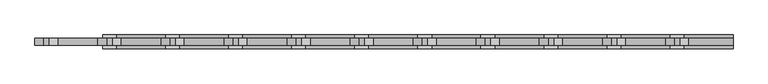
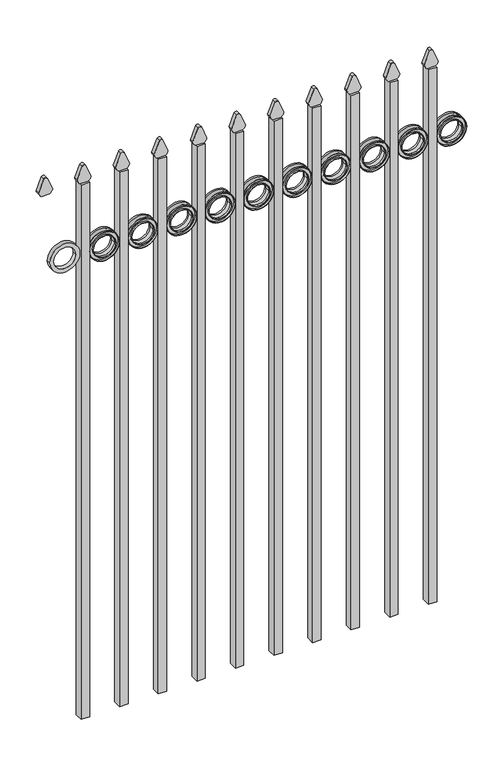
"""IFC4 building model written with IfcOpenShell, lengths in millimetres: railing geometry."""

from ifc_helpers import new_model, si_unit, point, frame, frame_2d, origin, place, context, project, spatial, polyline, circle_curve, trimmed, segment, composite_curve, outline, extrude, source, transform, mapped, element, save


def railing_4a99fd9a(model_context):
    return source(origin(), model_context, "Body", "SweptSolid", [
        extrude(outline(composite_curve([segment(polyline([(1769.4798417, -22591.9399936), (1769.4798417, -22566.2493116)]), True, "CONTINUOUS"), segment(trimmed(circle_curve(frame_2d((1787.7299402, -22580.4122336)), 23.1009622), [point((1769.4798417, -22566.2493116))], [point((1782.2676176, -22557.9663545))], False, "CARTESIAN"), True, "CONTINUOUS"), segment(polyline([(1782.2676176, -22557.9663545), (1822.7555225, -22574.2855644)]), True, "CONTINUOUS"), segment(trimmed(circle_curve(frame_2d((1819.6045804, -22579.4155764)), 6.0204202), [point((1822.7555225, -22574.2855644))], [point((1822.7555225, -22584.5455884))], False, "CARTESIAN"), True, "CONTINUOUS"), segment(polyline([(1822.7555225, -22584.5455884), (1783.5339948, -22600.4937724)]), True, "CONTINUOUS"), segment(trimmed(circle_curve(frame_2d((1787.7299402, -22577.7770716)), 23.1009622), [point((1783.5339948, -22600.4937724))], [point((1769.4798417, -22591.9399936))], False, "CARTESIAN"), True, "CONTINUOUS")], self_intersect=False)), frame((0.0, 10362.569541, 0.0), z_axis=(0.0, 1.0, 0.0), x_axis=(0.0, 0.0, 1.0)), (0.0, 0.0, 1.0), 12.7),
        extrude(outline(composite_curve([segment(trimmed(circle_curve(frame_2d((1546.9853669, -22520.4442595)), 45.6988591), [point((1546.9853669, -22474.7454004))], [point((1546.9853669, -22566.1431186))], False, "CARTESIAN"), True, "CONTINUOUS"), segment(trimmed(circle_curve(frame_2d((1546.9853669, -22520.4442595)), 45.6988591), [point((1546.9853669, -22566.1431186))], [point((1546.9853669, -22474.7454004))], False, "CARTESIAN"), True, "CONTINUOUS")], self_intersect=False), holes=[composite_curve([segment(trimmed(circle_curve(frame_2d((1546.9853669, -22520.4442595)), 33.0443887), [point((1546.9853669, -22487.3998708))], [point((1546.9853669, -22553.4886482))], True, "CARTESIAN"), True, "CONTINUOUS"), segment(trimmed(circle_curve(frame_2d((1546.9853669, -22520.4442595)), 33.0443887), [point((1546.9853669, -22553.4886482))], [point((1546.9853669, -22487.3998708))], True, "CARTESIAN"), True, "CONTINUOUS")], self_intersect=False)]), frame((0.0, 10362.569541, 0.0), z_axis=(0.0, 1.0, 0.0), x_axis=(0.0, 0.0, 1.0)), (0.0, 0.0, 1.0), 12.7),
        extrude(outline(polyline([(-22591.9399936, 10381.619541), (-22566.5399936, 10381.619541), (-22566.5399936, 10356.219541), (-22591.9399936, 10356.219541), (-22591.9399936, 10381.619541)])), frame((0.0, 0.0, 50.8), z_axis=(0.0, 0.0, 1.0), x_axis=(1.0, 0.0, 0.0)), (0.0, 0.0, 1.0), 1718.4579232),
        extrude(outline(composite_curve([segment(trimmed(circle_curve(frame_2d((1546.9853669, -22520.4442595)), 45.6988591), [point((1546.9853669, -22474.7454004))], [point((1546.9853669, -22566.1431186))], False, "CARTESIAN"), True, "CONTINUOUS"), segment(trimmed(circle_curve(frame_2d((1546.9853669, -22520.4442595)), 45.6988591), [point((1546.9853669, -22566.1431186))], [point((1546.9853669, -22474.7454004))], False, "CARTESIAN"), True, "CONTINUOUS")], self_intersect=False), holes=[composite_curve([segment(trimmed(circle_curve(frame_2d((1546.9853669, -22520.4442595)), 44.101539), [point((1546.9853669, -22476.3427205))], [point((1546.9853669, -22564.5457985))], True, "CARTESIAN"), True, "CONTINUOUS"), segment(trimmed(circle_curve(frame_2d((1546.9853669, -22520.4442595)), 44.101539), [point((1546.9853669, -22564.5457985))], [point((1546.9853669, -22476.3427205))], True, "CARTESIAN"), True, "CONTINUOUS")], self_intersect=False)]), frame((0.0, 10356.219541, 0.0), z_axis=(0.0, 1.0, 0.0), x_axis=(0.0, 0.0, 1.0)), (0.0, 0.0, 1.0), 25.4),
        extrude(outline(composite_curve([segment(trimmed(circle_curve(frame_2d((1546.9853669, -22520.4442595)), 34.6370762), [point((1546.9853669, -22485.8071833))], [point((1546.9853669, -22555.0813357))], False, "CARTESIAN"), True, "CONTINUOUS"), segment(trimmed(circle_curve(frame_2d((1546.9853669, -22520.4442595)), 34.6370762), [point((1546.9853669, -22555.0813357))], [point((1546.9853669, -22485.8071833))], False, "CARTESIAN"), True, "CONTINUOUS")], self_intersect=False), holes=[composite_curve([segment(trimmed(circle_curve(frame_2d((1546.9853669, -22520.4442595)), 33.0443887), [point((1546.9853669, -22487.3998708))], [point((1546.9853669, -22553.4886482))], True, "CARTESIAN"), True, "CONTINUOUS"), segment(trimmed(circle_curve(frame_2d((1546.9853669, -22520.4442595)), 33.0443887), [point((1546.9853669, -22553.4886482))], [point((1546.9853669, -22487.3998708))], True, "CARTESIAN"), True, "CONTINUOUS")], self_intersect=False)]), frame((0.0, 10356.219541, 0.0), z_axis=(0.0, 1.0, 0.0), x_axis=(0.0, 0.0, 1.0)), (0.0, 0.0, 1.0), 25.4),
        extrude(outline(composite_curve([segment(polyline([(1769.4798417, -22709.4149936), (1769.4798417, -22683.7243116)]), True, "CONTINUOUS"), segment(trimmed(circle_curve(frame_2d((1787.7299402, -22697.8872336)), 23.1009622), [point((1769.4798417, -22683.7243116))], [point((1782.2676176, -22675.4413545))], False, "CARTESIAN"), True, "CONTINUOUS"), segment(polyline([(1782.2676176, -22675.4413545), (1822.7555225, -22691.7605644)]), True, "CONTINUOUS"), segment(trimmed(circle_curve(frame_2d((1819.6045804, -22696.8905764)), 6.0204202), [point((1822.7555225, -22691.7605644))], [point((1822.7555225, -22702.0205884))], False, "CARTESIAN"), True, "CONTINUOUS"), segment(polyline([(1822.7555225, -22702.0205884), (1783.5339948, -22717.9687724)]), True, "CONTINUOUS"), segment(trimmed(circle_curve(frame_2d((1787.7299402, -22695.2520716)), 23.1009622), [point((1783.5339948, -22717.9687724))], [point((1769.4798417, -22709.4149936))], False, "CARTESIAN"), True, "CONTINUOUS")], self_intersect=False)), frame((0.0, 10362.569541, 0.0), z_axis=(0.0, 1.0, 0.0), x_axis=(0.0, 0.0, 1.0)), (0.0, 0.0, 1.0), 12.7),
        extrude(outline(composite_curve([segment(trimmed(circle_curve(frame_2d((1546.9853669, -22637.9192595)), 45.6988591), [point((1546.9853669, -22592.2204004))], [point((1546.9853669, -22683.6181186))], False, "CARTESIAN"), True, "CONTINUOUS"), segment(trimmed(circle_curve(frame_2d((1546.9853669, -22637.9192595)), 45.6988591), [point((1546.9853669, -22683.6181186))], [point((1546.9853669, -22592.2204004))], False, "CARTESIAN"), True, "CONTINUOUS")], self_intersect=False), holes=[composite_curve([segment(trimmed(circle_curve(frame_2d((1546.9853669, -22637.9192595)), 33.0443887), [point((1546.9853669, -22604.8748708))], [point((1546.9853669, -22670.9636482))], True, "CARTESIAN"), True, "CONTINUOUS"), segment(trimmed(circle_curve(frame_2d((1546.9853669, -22637.9192595)), 33.0443887), [point((1546.9853669, -22670.9636482))], [point((1546.9853669, -22604.8748708))], True, "CARTESIAN"), True, "CONTINUOUS")], self_intersect=False)]), frame((0.0, 10362.569541, 0.0), z_axis=(0.0, 1.0, 0.0), x_axis=(0.0, 0.0, 1.0)), (0.0, 0.0, 1.0), 12.7),
        extrude(outline(polyline([(-22709.4149936, 10381.619541), (-22684.0149936, 10381.619541), (-22684.0149936, 10356.219541), (-22709.4149936, 10356.219541), (-22709.4149936, 10381.619541)])), frame((0.0, 0.0, 50.8), z_axis=(0.0, 0.0, 1.0), x_axis=(1.0, 0.0, 0.0)), (0.0, 0.0, 1.0), 1718.4579232),
        extrude(outline(composite_curve([segment(trimmed(circle_curve(frame_2d((1546.9853669, -22637.9192595)), 45.6988591), [point((1546.9853669, -22592.2204004))], [point((1546.9853669, -22683.6181186))], False, "CARTESIAN"), True, "CONTINUOUS"), segment(trimmed(circle_curve(frame_2d((1546.9853669, -22637.9192595)), 45.6988591), [point((1546.9853669, -22683.6181186))], [point((1546.9853669, -22592.2204004))], False, "CARTESIAN"), True, "CONTINUOUS")], self_intersect=False), holes=[composite_curve([segment(trimmed(circle_curve(frame_2d((1546.9853669, -22637.9192595)), 44.101539), [point((1546.9853669, -22593.8177205))], [point((1546.9853669, -22682.0207985))], True, "CARTESIAN"), True, "CONTINUOUS"), segment(trimmed(circle_curve(frame_2d((1546.9853669, -22637.9192595)), 44.101539), [point((1546.9853669, -22682.0207985))], [point((1546.9853669, -22593.8177205))], True, "CARTESIAN"), True, "CONTINUOUS")], self_intersect=False)]), frame((0.0, 10356.219541, 0.0), z_axis=(0.0, 1.0, 0.0), x_axis=(0.0, 0.0, 1.0)), (0.0, 0.0, 1.0), 25.4),
        extrude(outline(composite_curve([segment(trimmed(circle_curve(frame_2d((1546.9853669, -22637.9192595)), 34.6370762), [point((1546.9853669, -22603.2821833))], [point((1546.9853669, -22672.5563357))], False, "CARTESIAN"), True, "CONTINUOUS"), segment(trimmed(circle_curve(frame_2d((1546.9853669, -22637.9192595)), 34.6370762), [point((1546.9853669, -22672.5563357))], [point((1546.9853669, -22603.2821833))], False, "CARTESIAN"), True, "CONTINUOUS")], self_intersect=False), holes=[composite_curve([segment(trimmed(circle_curve(frame_2d((1546.9853669, -22637.9192595)), 33.0443887), [point((1546.9853669, -22604.8748708))], [point((1546.9853669, -22670.9636482))], True, "CARTESIAN"), True, "CONTINUOUS"), segment(trimmed(circle_curve(frame_2d((1546.9853669, -22637.9192595)), 33.0443887), [point((1546.9853669, -22670.9636482))], [point((1546.9853669, -22604.8748708))], True, "CARTESIAN"), True, "CONTINUOUS")], self_intersect=False)]), frame((0.0, 10356.219541, 0.0), z_axis=(0.0, 1.0, 0.0), x_axis=(0.0, 0.0, 1.0)), (0.0, 0.0, 1.0), 25.4),
        extrude(outline(composite_curve([segment(polyline([(1769.4798417, -22826.8899936), (1769.4798417, -22801.1993116)]), True, "CONTINUOUS"), segment(trimmed(circle_curve(frame_2d((1787.7299402, -22815.3622336)), 23.1009622), [point((1769.4798417, -22801.1993116))], [point((1782.2676176, -22792.9163545))], False, "CARTESIAN"), True, "CONTINUOUS"), segment(polyline([(1782.2676176, -22792.9163545), (1822.7555225, -22809.2355644)]), True, "CONTINUOUS"), segment(trimmed(circle_curve(frame_2d((1819.6045804, -22814.3655764)), 6.0204202), [point((1822.7555225, -22809.2355644))], [point((1822.7555225, -22819.4955884))], False, "CARTESIAN"), True, "CONTINUOUS"), segment(polyline([(1822.7555225, -22819.4955884), (1783.5339948, -22835.4437724)]), True, "CONTINUOUS"), segment(trimmed(circle_curve(frame_2d((1787.7299402, -22812.7270716)), 23.1009622), [point((1783.5339948, -22835.4437724))], [point((1769.4798417, -22826.8899936))], False, "CARTESIAN"), True, "CONTINUOUS")], self_intersect=False)), frame((0.0, 10362.569541, 0.0), z_axis=(0.0, 1.0, 0.0), x_axis=(0.0, 0.0, 1.0)), (0.0, 0.0, 1.0), 12.7),
        extrude(outline(composite_curve([segment(trimmed(circle_curve(frame_2d((1546.9853669, -22755.3942595)), 45.6988591), [point((1546.9853669, -22709.6954004))], [point((1546.9853669, -22801.0931186))], False, "CARTESIAN"), True, "CONTINUOUS"), segment(trimmed(circle_curve(frame_2d((1546.9853669, -22755.3942595)), 45.6988591), [point((1546.9853669, -22801.0931186))], [point((1546.9853669, -22709.6954004))], False, "CARTESIAN"), True, "CONTINUOUS")], self_intersect=False), holes=[composite_curve([segment(trimmed(circle_curve(frame_2d((1546.9853669, -22755.3942595)), 33.0443887), [point((1546.9853669, -22722.3498708))], [point((1546.9853669, -22788.4386482))], True, "CARTESIAN"), True, "CONTINUOUS"), segment(trimmed(circle_curve(frame_2d((1546.9853669, -22755.3942595)), 33.0443887), [point((1546.9853669, -22788.4386482))], [point((1546.9853669, -22722.3498708))], True, "CARTESIAN"), True, "CONTINUOUS")], self_intersect=False)]), frame((0.0, 10362.569541, 0.0), z_axis=(0.0, 1.0, 0.0), x_axis=(0.0, 0.0, 1.0)), (0.0, 0.0, 1.0), 12.7),
        extrude(outline(polyline([(-22826.8899936, 10381.619541), (-22801.4899936, 10381.619541), (-22801.4899936, 10356.219541), (-22826.8899936, 10356.219541), (-22826.8899936, 10381.619541)])), frame((0.0, 0.0, 50.8), z_axis=(0.0, 0.0, 1.0), x_axis=(1.0, 0.0, 0.0)), (0.0, 0.0, 1.0), 1718.4579232),
        extrude(outline(composite_curve([segment(trimmed(circle_curve(frame_2d((1546.9853669, -22755.3942595)), 45.6988591), [point((1546.9853669, -22709.6954004))], [point((1546.9853669, -22801.0931186))], False, "CARTESIAN"), True, "CONTINUOUS"), segment(trimmed(circle_curve(frame_2d((1546.9853669, -22755.3942595)), 45.6988591), [point((1546.9853669, -22801.0931186))], [point((1546.9853669, -22709.6954004))], False, "CARTESIAN"), True, "CONTINUOUS")], self_intersect=False), holes=[composite_curve([segment(trimmed(circle_curve(frame_2d((1546.9853669, -22755.3942595)), 44.101539), [point((1546.9853669, -22711.2927205))], [point((1546.9853669, -22799.4957985))], True, "CARTESIAN"), True, "CONTINUOUS"), segment(trimmed(circle_curve(frame_2d((1546.9853669, -22755.3942595)), 44.101539), [point((1546.9853669, -22799.4957985))], [point((1546.9853669, -22711.2927205))], True, "CARTESIAN"), True, "CONTINUOUS")], self_intersect=False)]), frame((0.0, 10356.219541, 0.0), z_axis=(0.0, 1.0, 0.0), x_axis=(0.0, 0.0, 1.0)), (0.0, 0.0, 1.0), 25.4),
        extrude(outline(composite_curve([segment(trimmed(circle_curve(frame_2d((1546.9853669, -22755.3942595)), 34.6370762), [point((1546.9853669, -22720.7571833))], [point((1546.9853669, -22790.0313357))], False, "CARTESIAN"), True, "CONTINUOUS"), segment(trimmed(circle_curve(frame_2d((1546.9853669, -22755.3942595)), 34.6370762), [point((1546.9853669, -22790.0313357))], [point((1546.9853669, -22720.7571833))], False, "CARTESIAN"), True, "CONTINUOUS")], self_intersect=False), holes=[composite_curve([segment(trimmed(circle_curve(frame_2d((1546.9853669, -22755.3942595)), 33.0443887), [point((1546.9853669, -22722.3498708))], [point((1546.9853669, -22788.4386482))], True, "CARTESIAN"), True, "CONTINUOUS"), segment(trimmed(circle_curve(frame_2d((1546.9853669, -22755.3942595)), 33.0443887), [point((1546.9853669, -22788.4386482))], [point((1546.9853669, -22722.3498708))], True, "CARTESIAN"), True, "CONTINUOUS")], self_intersect=False)]), frame((0.0, 10356.219541, 0.0), z_axis=(0.0, 1.0, 0.0), x_axis=(0.0, 0.0, 1.0)), (0.0, 0.0, 1.0), 25.4),
        extrude(outline(composite_curve([segment(polyline([(1769.4798417, -22944.3649936), (1769.4798417, -22918.6743116)]), True, "CONTINUOUS"), segment(trimmed(circle_curve(frame_2d((1787.7299402, -22932.8372336)), 23.1009622), [point((1769.4798417, -22918.6743116))], [point((1782.2676176, -22910.3913545))], False, "CARTESIAN"), True, "CONTINUOUS"), segment(polyline([(1782.2676176, -22910.3913545), (1822.7555225, -22926.7105644)]), True, "CONTINUOUS"), segment(trimmed(circle_curve(frame_2d((1819.6045804, -22931.8405764)), 6.0204202), [point((1822.7555225, -22926.7105644))], [point((1822.7555225, -22936.9705884))], False, "CARTESIAN"), True, "CONTINUOUS"), segment(polyline([(1822.7555225, -22936.9705884), (1783.5339948, -22952.9187724)]), True, "CONTINUOUS"), segment(trimmed(circle_curve(frame_2d((1787.7299402, -22930.2020716)), 23.1009622), [point((1783.5339948, -22952.9187724))], [point((1769.4798417, -22944.3649936))], False, "CARTESIAN"), True, "CONTINUOUS")], self_intersect=False)), frame((0.0, 10362.569541, 0.0), z_axis=(0.0, 1.0, 0.0), x_axis=(0.0, 0.0, 1.0)), (0.0, 0.0, 1.0), 12.7),
        extrude(outline(composite_curve([segment(trimmed(circle_curve(frame_2d((1546.9853669, -22872.8692595)), 45.6988591), [point((1546.9853669, -22827.1704004))], [point((1546.9853669, -22918.5681186))], False, "CARTESIAN"), True, "CONTINUOUS"), segment(trimmed(circle_curve(frame_2d((1546.9853669, -22872.8692595)), 45.6988591), [point((1546.9853669, -22918.5681186))], [point((1546.9853669, -22827.1704004))], False, "CARTESIAN"), True, "CONTINUOUS")], self_intersect=False), holes=[composite_curve([segment(trimmed(circle_curve(frame_2d((1546.9853669, -22872.8692595)), 33.0443887), [point((1546.9853669, -22839.8248708))], [point((1546.9853669, -22905.9136482))], True, "CARTESIAN"), True, "CONTINUOUS"), segment(trimmed(circle_curve(frame_2d((1546.9853669, -22872.8692595)), 33.0443887), [point((1546.9853669, -22905.9136482))], [point((1546.9853669, -22839.8248708))], True, "CARTESIAN"), True, "CONTINUOUS")], self_intersect=False)]), frame((0.0, 10362.569541, 0.0), z_axis=(0.0, 1.0, 0.0), x_axis=(0.0, 0.0, 1.0)), (0.0, 0.0, 1.0), 12.7),
        extrude(outline(polyline([(-22944.3649936, 10381.619541), (-22918.9649936, 10381.619541), (-22918.9649936, 10356.219541), (-22944.3649936, 10356.219541), (-22944.3649936, 10381.619541)])), frame((0.0, 0.0, 50.8), z_axis=(0.0, 0.0, 1.0), x_axis=(1.0, 0.0, 0.0)), (0.0, 0.0, 1.0), 1718.4579232),
        extrude(outline(composite_curve([segment(trimmed(circle_curve(frame_2d((1546.9853669, -22872.8692595)), 45.6988591), [point((1546.9853669, -22827.1704004))], [point((1546.9853669, -22918.5681186))], False, "CARTESIAN"), True, "CONTINUOUS"), segment(trimmed(circle_curve(frame_2d((1546.9853669, -22872.8692595)), 45.6988591), [point((1546.9853669, -22918.5681186))], [point((1546.9853669, -22827.1704004))], False, "CARTESIAN"), True, "CONTINUOUS")], self_intersect=False), holes=[composite_curve([segment(trimmed(circle_curve(frame_2d((1546.9853669, -22872.8692595)), 44.101539), [point((1546.9853669, -22828.7677205))], [point((1546.9853669, -22916.9707985))], True, "CARTESIAN"), True, "CONTINUOUS"), segment(trimmed(circle_curve(frame_2d((1546.9853669, -22872.8692595)), 44.101539), [point((1546.9853669, -22916.9707985))], [point((1546.9853669, -22828.7677205))], True, "CARTESIAN"), True, "CONTINUOUS")], self_intersect=False)]), frame((0.0, 10356.219541, 0.0), z_axis=(0.0, 1.0, 0.0), x_axis=(0.0, 0.0, 1.0)), (0.0, 0.0, 1.0), 25.4),
        extrude(outline(composite_curve([segment(trimmed(circle_curve(frame_2d((1546.9853669, -22872.8692595)), 34.6370762), [point((1546.9853669, -22838.2321833))], [point((1546.9853669, -22907.5063357))], False, "CARTESIAN"), True, "CONTINUOUS"), segment(trimmed(circle_curve(frame_2d((1546.9853669, -22872.8692595)), 34.6370762), [point((1546.9853669, -22907.5063357))], [point((1546.9853669, -22838.2321833))], False, "CARTESIAN"), True, "CONTINUOUS")], self_intersect=False), holes=[composite_curve([segment(trimmed(circle_curve(frame_2d((1546.9853669, -22872.8692595)), 33.0443887), [point((1546.9853669, -22839.8248708))], [point((1546.9853669, -22905.9136482))], True, "CARTESIAN"), True, "CONTINUOUS"), segment(trimmed(circle_curve(frame_2d((1546.9853669, -22872.8692595)), 33.0443887), [point((1546.9853669, -22905.9136482))], [point((1546.9853669, -22839.8248708))], True, "CARTESIAN"), True, "CONTINUOUS")], self_intersect=False)]), frame((0.0, 10356.219541, 0.0), z_axis=(0.0, 1.0, 0.0), x_axis=(0.0, 0.0, 1.0)), (0.0, 0.0, 1.0), 25.4),
        extrude(outline(composite_curve([segment(polyline([(1769.4798417, -23061.8399936), (1769.4798417, -23036.1493116)]), True, "CONTINUOUS"), segment(trimmed(circle_curve(frame_2d((1787.7299402, -23050.3122336)), 23.1009622), [point((1769.4798417, -23036.1493116))], [point((1782.2676176, -23027.8663545))], False, "CARTESIAN"), True, "CONTINUOUS"), segment(polyline([(1782.2676176, -23027.8663545), (1822.7555225, -23044.1855644)]), True, "CONTINUOUS"), segment(trimmed(circle_curve(frame_2d((1819.6045804, -23049.3155764)), 6.0204202), [point((1822.7555225, -23044.1855644))], [point((1822.7555225, -23054.4455884))], False, "CARTESIAN"), True, "CONTINUOUS"), segment(polyline([(1822.7555225, -23054.4455884), (1783.5339948, -23070.3937724)]), True, "CONTINUOUS"), segment(trimmed(circle_curve(frame_2d((1787.7299402, -23047.6770716)), 23.1009622), [point((1783.5339948, -23070.3937724))], [point((1769.4798417, -23061.8399936))], False, "CARTESIAN"), True, "CONTINUOUS")], self_intersect=False)), frame((0.0, 10362.569541, 0.0), z_axis=(0.0, 1.0, 0.0), x_axis=(0.0, 0.0, 1.0)), (0.0, 0.0, 1.0), 12.7),
        extrude(outline(composite_curve([segment(trimmed(circle_curve(frame_2d((1546.9853669, -22990.3442595)), 45.6988591), [point((1546.9853669, -22944.6454004))], [point((1546.9853669, -23036.0431186))], False, "CARTESIAN"), True, "CONTINUOUS"), segment(trimmed(circle_curve(frame_2d((1546.9853669, -22990.3442595)), 45.6988591), [point((1546.9853669, -23036.0431186))], [point((1546.9853669, -22944.6454004))], False, "CARTESIAN"), True, "CONTINUOUS")], self_intersect=False), holes=[composite_curve([segment(trimmed(circle_curve(frame_2d((1546.9853669, -22990.3442595)), 33.0443887), [point((1546.9853669, -22957.2998708))], [point((1546.9853669, -23023.3886482))], True, "CARTESIAN"), True, "CONTINUOUS"), segment(trimmed(circle_curve(frame_2d((1546.9853669, -22990.3442595)), 33.0443887), [point((1546.9853669, -23023.3886482))], [point((1546.9853669, -22957.2998708))], True, "CARTESIAN"), True, "CONTINUOUS")], self_intersect=False)]), frame((0.0, 10362.569541, 0.0), z_axis=(0.0, 1.0, 0.0), x_axis=(0.0, 0.0, 1.0)), (0.0, 0.0, 1.0), 12.7),
        extrude(outline(polyline([(-23061.8399936, 10381.619541), (-23036.4399936, 10381.619541), (-23036.4399936, 10356.219541), (-23061.8399936, 10356.219541), (-23061.8399936, 10381.619541)])), frame((0.0, 0.0, 50.8), z_axis=(0.0, 0.0, 1.0), x_axis=(1.0, 0.0, 0.0)), (0.0, 0.0, 1.0), 1718.4579232),
        extrude(outline(composite_curve([segment(trimmed(circle_curve(frame_2d((1546.9853669, -22990.3442595)), 45.6988591), [point((1546.9853669, -22944.6454004))], [point((1546.9853669, -23036.0431186))], False, "CARTESIAN"), True, "CONTINUOUS"), segment(trimmed(circle_curve(frame_2d((1546.9853669, -22990.3442595)), 45.6988591), [point((1546.9853669, -23036.0431186))], [point((1546.9853669, -22944.6454004))], False, "CARTESIAN"), True, "CONTINUOUS")], self_intersect=False), holes=[composite_curve([segment(trimmed(circle_curve(frame_2d((1546.9853669, -22990.3442595)), 44.101539), [point((1546.9853669, -22946.2427205))], [point((1546.9853669, -23034.4457985))], True, "CARTESIAN"), True, "CONTINUOUS"), segment(trimmed(circle_curve(frame_2d((1546.9853669, -22990.3442595)), 44.101539), [point((1546.9853669, -23034.4457985))], [point((1546.9853669, -22946.2427205))], True, "CARTESIAN"), True, "CONTINUOUS")], self_intersect=False)]), frame((0.0, 10356.219541, 0.0), z_axis=(0.0, 1.0, 0.0), x_axis=(0.0, 0.0, 1.0)), (0.0, 0.0, 1.0), 25.4),
        extrude(outline(composite_curve([segment(trimmed(circle_curve(frame_2d((1546.9853669, -22990.3442595)), 34.6370762), [point((1546.9853669, -22955.7071833))], [point((1546.9853669, -23024.9813357))], False, "CARTESIAN"), True, "CONTINUOUS"), segment(trimmed(circle_curve(frame_2d((1546.9853669, -22990.3442595)), 34.6370762), [point((1546.9853669, -23024.9813357))], [point((1546.9853669, -22955.7071833))], False, "CARTESIAN"), True, "CONTINUOUS")], self_intersect=False), holes=[composite_curve([segment(trimmed(circle_curve(frame_2d((1546.9853669, -22990.3442595)), 33.0443887), [point((1546.9853669, -22957.2998708))], [point((1546.9853669, -23023.3886482))], True, "CARTESIAN"), True, "CONTINUOUS"), segment(trimmed(circle_curve(frame_2d((1546.9853669, -22990.3442595)), 33.0443887), [point((1546.9853669, -23023.3886482))], [point((1546.9853669, -22957.2998708))], True, "CARTESIAN"), True, "CONTINUOUS")], self_intersect=False)]), frame((0.0, 10356.219541, 0.0), z_axis=(0.0, 1.0, 0.0), x_axis=(0.0, 0.0, 1.0)), (0.0, 0.0, 1.0), 25.4),
        extrude(outline(composite_curve([segment(polyline([(1769.4798417, -23179.3149936), (1769.4798417, -23153.6243116)]), True, "CONTINUOUS"), segment(trimmed(circle_curve(frame_2d((1787.7299402, -23167.7872336)), 23.1009622), [point((1769.4798417, -23153.6243116))], [point((1782.2676176, -23145.3413545))], False, "CARTESIAN"), True, "CONTINUOUS"), segment(polyline([(1782.2676176, -23145.3413545), (1822.7555225, -23161.6605644)]), True, "CONTINUOUS"), segment(trimmed(circle_curve(frame_2d((1819.6045804, -23166.7905764)), 6.0204202), [point((1822.7555225, -23161.6605644))], [point((1822.7555225, -23171.9205884))], False, "CARTESIAN"), True, "CONTINUOUS"), segment(polyline([(1822.7555225, -23171.9205884), (1783.5339948, -23187.8687724)]), True, "CONTINUOUS"), segment(trimmed(circle_curve(frame_2d((1787.7299402, -23165.1520716)), 23.1009622), [point((1783.5339948, -23187.8687724))], [point((1769.4798417, -23179.3149936))], False, "CARTESIAN"), True, "CONTINUOUS")], self_intersect=False)), frame((0.0, 10362.569541, 0.0), z_axis=(0.0, 1.0, 0.0), x_axis=(0.0, 0.0, 1.0)), (0.0, 0.0, 1.0), 12.7),
        extrude(outline(composite_curve([segment(trimmed(circle_curve(frame_2d((1546.9853669, -23107.8192595)), 45.6988591), [point((1546.9853669, -23062.1204004))], [point((1546.9853669, -23153.5181186))], False, "CARTESIAN"), True, "CONTINUOUS"), segment(trimmed(circle_curve(frame_2d((1546.9853669, -23107.8192595)), 45.6988591), [point((1546.9853669, -23153.5181186))], [point((1546.9853669, -23062.1204004))], False, "CARTESIAN"), True, "CONTINUOUS")], self_intersect=False), holes=[composite_curve([segment(trimmed(circle_curve(frame_2d((1546.9853669, -23107.8192595)), 33.0443887), [point((1546.9853669, -23074.7748708))], [point((1546.9853669, -23140.8636482))], True, "CARTESIAN"), True, "CONTINUOUS"), segment(trimmed(circle_curve(frame_2d((1546.9853669, -23107.8192595)), 33.0443887), [point((1546.9853669, -23140.8636482))], [point((1546.9853669, -23074.7748708))], True, "CARTESIAN"), True, "CONTINUOUS")], self_intersect=False)]), frame((0.0, 10362.569541, 0.0), z_axis=(0.0, 1.0, 0.0), x_axis=(0.0, 0.0, 1.0)), (0.0, 0.0, 1.0), 12.7),
        extrude(outline(polyline([(-23179.3149936, 10381.619541), (-23153.9149936, 10381.619541), (-23153.9149936, 10356.219541), (-23179.3149936, 10356.219541), (-23179.3149936, 10381.619541)])), frame((0.0, 0.0, 50.8), z_axis=(0.0, 0.0, 1.0), x_axis=(1.0, 0.0, 0.0)), (0.0, 0.0, 1.0), 1718.4579232),
        extrude(outline(composite_curve([segment(trimmed(circle_curve(frame_2d((1546.9853669, -23107.8192595)), 45.6988591), [point((1546.9853669, -23062.1204004))], [point((1546.9853669, -23153.5181186))], False, "CARTESIAN"), True, "CONTINUOUS"), segment(trimmed(circle_curve(frame_2d((1546.9853669, -23107.8192595)), 45.6988591), [point((1546.9853669, -23153.5181186))], [point((1546.9853669, -23062.1204004))], False, "CARTESIAN"), True, "CONTINUOUS")], self_intersect=False), holes=[composite_curve([segment(trimmed(circle_curve(frame_2d((1546.9853669, -23107.8192595)), 44.101539), [point((1546.9853669, -23063.7177205))], [point((1546.9853669, -23151.9207985))], True, "CARTESIAN"), True, "CONTINUOUS"), segment(trimmed(circle_curve(frame_2d((1546.9853669, -23107.8192595)), 44.101539), [point((1546.9853669, -23151.9207985))], [point((1546.9853669, -23063.7177205))], True, "CARTESIAN"), True, "CONTINUOUS")], self_intersect=False)]), frame((0.0, 10356.219541, 0.0), z_axis=(0.0, 1.0, 0.0), x_axis=(0.0, 0.0, 1.0)), (0.0, 0.0, 1.0), 25.4),
        extrude(outline(composite_curve([segment(trimmed(circle_curve(frame_2d((1546.9853669, -23107.8192595)), 34.6370762), [point((1546.9853669, -23073.1821833))], [point((1546.9853669, -23142.4563357))], False, "CARTESIAN"), True, "CONTINUOUS"), segment(trimmed(circle_curve(frame_2d((1546.9853669, -23107.8192595)), 34.6370762), [point((1546.9853669, -23142.4563357))], [point((1546.9853669, -23073.1821833))], False, "CARTESIAN"), True, "CONTINUOUS")], self_intersect=False), holes=[composite_curve([segment(trimmed(circle_curve(frame_2d((1546.9853669, -23107.8192595)), 33.0443887), [point((1546.9853669, -23074.7748708))], [point((1546.9853669, -23140.8636482))], True, "CARTESIAN"), True, "CONTINUOUS"), segment(trimmed(circle_curve(frame_2d((1546.9853669, -23107.8192595)), 33.0443887), [point((1546.9853669, -23140.8636482))], [point((1546.9853669, -23074.7748708))], True, "CARTESIAN"), True, "CONTINUOUS")], self_intersect=False)]), frame((0.0, 10356.219541, 0.0), z_axis=(0.0, 1.0, 0.0), x_axis=(0.0, 0.0, 1.0)), (0.0, 0.0, 1.0), 25.4),
        extrude(outline(composite_curve([segment(polyline([(1769.4798417, -23296.7899936), (1769.4798417, -23271.0993116)]), True, "CONTINUOUS"), segment(trimmed(circle_curve(frame_2d((1787.7299402, -23285.2622336)), 23.1009622), [point((1769.4798417, -23271.0993116))], [point((1782.2676176, -23262.8163545))], False, "CARTESIAN"), True, "CONTINUOUS"), segment(polyline([(1782.2676176, -23262.8163545), (1822.7555225, -23279.1355644)]), True, "CONTINUOUS"), segment(trimmed(circle_curve(frame_2d((1819.6045804, -23284.2655764)), 6.0204202), [point((1822.7555225, -23279.1355644))], [point((1822.7555225, -23289.3955884))], False, "CARTESIAN"), True, "CONTINUOUS"), segment(polyline([(1822.7555225, -23289.3955884), (1783.5339948, -23305.3437724)]), True, "CONTINUOUS"), segment(trimmed(circle_curve(frame_2d((1787.7299402, -23282.6270716)), 23.1009622), [point((1783.5339948, -23305.3437724))], [point((1769.4798417, -23296.7899936))], False, "CARTESIAN"), True, "CONTINUOUS")], self_intersect=False)), frame((0.0, 10362.569541, 0.0), z_axis=(0.0, 1.0, 0.0), x_axis=(0.0, 0.0, 1.0)), (0.0, 0.0, 1.0), 12.7),
        extrude(outline(composite_curve([segment(trimmed(circle_curve(frame_2d((1546.9853669, -23225.2942595)), 45.6988591), [point((1546.9853669, -23179.5954004))], [point((1546.9853669, -23270.9931186))], False, "CARTESIAN"), True, "CONTINUOUS"), segment(trimmed(circle_curve(frame_2d((1546.9853669, -23225.2942595)), 45.6988591), [point((1546.9853669, -23270.9931186))], [point((1546.9853669, -23179.5954004))], False, "CARTESIAN"), True, "CONTINUOUS")], self_intersect=False), holes=[composite_curve([segment(trimmed(circle_curve(frame_2d((1546.9853669, -23225.2942595)), 33.0443887), [point((1546.9853669, -23192.2498708))], [point((1546.9853669, -23258.3386482))], True, "CARTESIAN"), True, "CONTINUOUS"), segment(trimmed(circle_curve(frame_2d((1546.9853669, -23225.2942595)), 33.0443887), [point((1546.9853669, -23258.3386482))], [point((1546.9853669, -23192.2498708))], True, "CARTESIAN"), True, "CONTINUOUS")], self_intersect=False)]), frame((0.0, 10362.569541, 0.0), z_axis=(0.0, 1.0, 0.0), x_axis=(0.0, 0.0, 1.0)), (0.0, 0.0, 1.0), 12.7),
        extrude(outline(polyline([(-23296.7899936, 10381.619541), (-23271.3899936, 10381.619541), (-23271.3899936, 10356.219541), (-23296.7899936, 10356.219541), (-23296.7899936, 10381.619541)])), frame((0.0, 0.0, 50.8), z_axis=(0.0, 0.0, 1.0), x_axis=(1.0, 0.0, 0.0)), (0.0, 0.0, 1.0), 1718.4579232),
        extrude(outline(composite_curve([segment(trimmed(circle_curve(frame_2d((1546.9853669, -23225.2942595)), 45.6988591), [point((1546.9853669, -23179.5954004))], [point((1546.9853669, -23270.9931186))], False, "CARTESIAN"), True, "CONTINUOUS"), segment(trimmed(circle_curve(frame_2d((1546.9853669, -23225.2942595)), 45.6988591), [point((1546.9853669, -23270.9931186))], [point((1546.9853669, -23179.5954004))], False, "CARTESIAN"), True, "CONTINUOUS")], self_intersect=False), holes=[composite_curve([segment(trimmed(circle_curve(frame_2d((1546.9853669, -23225.2942595)), 44.101539), [point((1546.9853669, -23181.1927205))], [point((1546.9853669, -23269.3957985))], True, "CARTESIAN"), True, "CONTINUOUS"), segment(trimmed(circle_curve(frame_2d((1546.9853669, -23225.2942595)), 44.101539), [point((1546.9853669, -23269.3957985))], [point((1546.9853669, -23181.1927205))], True, "CARTESIAN"), True, "CONTINUOUS")], self_intersect=False)]), frame((0.0, 10356.219541, 0.0), z_axis=(0.0, 1.0, 0.0), x_axis=(0.0, 0.0, 1.0)), (0.0, 0.0, 1.0), 25.4),
        extrude(outline(composite_curve([segment(trimmed(circle_curve(frame_2d((1546.9853669, -23225.2942595)), 34.6370762), [point((1546.9853669, -23190.6571833))], [point((1546.9853669, -23259.9313357))], False, "CARTESIAN"), True, "CONTINUOUS"), segment(trimmed(circle_curve(frame_2d((1546.9853669, -23225.2942595)), 34.6370762), [point((1546.9853669, -23259.9313357))], [point((1546.9853669, -23190.6571833))], False, "CARTESIAN"), True, "CONTINUOUS")], self_intersect=False), holes=[composite_curve([segment(trimmed(circle_curve(frame_2d((1546.9853669, -23225.2942595)), 33.0443887), [point((1546.9853669, -23192.2498708))], [point((1546.9853669, -23258.3386482))], True, "CARTESIAN"), True, "CONTINUOUS"), segment(trimmed(circle_curve(frame_2d((1546.9853669, -23225.2942595)), 33.0443887), [point((1546.9853669, -23258.3386482))], [point((1546.9853669, -23192.2498708))], True, "CARTESIAN"), True, "CONTINUOUS")], self_intersect=False)]), frame((0.0, 10356.219541, 0.0), z_axis=(0.0, 1.0, 0.0), x_axis=(0.0, 0.0, 1.0)), (0.0, 0.0, 1.0), 25.4),
        extrude(outline(composite_curve([segment(polyline([(1769.4798417, -23414.2649936), (1769.4798417, -23388.5743116)]), True, "CONTINUOUS"), segment(trimmed(circle_curve(frame_2d((1787.7299402, -23402.7372336)), 23.1009622), [point((1769.4798417, -23388.5743116))], [point((1782.2676176, -23380.2913545))], False, "CARTESIAN"), True, "CONTINUOUS"), segment(polyline([(1782.2676176, -23380.2913545), (1822.7555225, -23396.6105644)]), True, "CONTINUOUS"), segment(trimmed(circle_curve(frame_2d((1819.6045804, -23401.7405764)), 6.0204202), [point((1822.7555225, -23396.6105644))], [point((1822.7555225, -23406.8705884))], False, "CARTESIAN"), True, "CONTINUOUS"), segment(polyline([(1822.7555225, -23406.8705884), (1783.5339948, -23422.8187724)]), True, "CONTINUOUS"), segment(trimmed(circle_curve(frame_2d((1787.7299402, -23400.1020716)), 23.1009622), [point((1783.5339948, -23422.8187724))], [point((1769.4798417, -23414.2649936))], False, "CARTESIAN"), True, "CONTINUOUS")], self_intersect=False)), frame((0.0, 10362.569541, 0.0), z_axis=(0.0, 1.0, 0.0), x_axis=(0.0, 0.0, 1.0)), (0.0, 0.0, 1.0), 12.7),
        extrude(outline(composite_curve([segment(trimmed(circle_curve(frame_2d((1546.9853669, -23342.7692595)), 45.6988591), [point((1546.9853669, -23297.0704004))], [point((1546.9853669, -23388.4681186))], False, "CARTESIAN"), True, "CONTINUOUS"), segment(trimmed(circle_curve(frame_2d((1546.9853669, -23342.7692595)), 45.6988591), [point((1546.9853669, -23388.4681186))], [point((1546.9853669, -23297.0704004))], False, "CARTESIAN"), True, "CONTINUOUS")], self_intersect=False), holes=[composite_curve([segment(trimmed(circle_curve(frame_2d((1546.9853669, -23342.7692595)), 33.0443887), [point((1546.9853669, -23309.7248708))], [point((1546.9853669, -23375.8136482))], True, "CARTESIAN"), True, "CONTINUOUS"), segment(trimmed(circle_curve(frame_2d((1546.9853669, -23342.7692595)), 33.0443887), [point((1546.9853669, -23375.8136482))], [point((1546.9853669, -23309.7248708))], True, "CARTESIAN"), True, "CONTINUOUS")], self_intersect=False)]), frame((0.0, 10362.569541, 0.0), z_axis=(0.0, 1.0, 0.0), x_axis=(0.0, 0.0, 1.0)), (0.0, 0.0, 1.0), 12.7),
        extrude(outline(polyline([(-23414.2649936, 10381.619541), (-23388.8649936, 10381.619541), (-23388.8649936, 10356.219541), (-23414.2649936, 10356.219541), (-23414.2649936, 10381.619541)])), frame((0.0, 0.0, 50.8), z_axis=(0.0, 0.0, 1.0), x_axis=(1.0, 0.0, 0.0)), (0.0, 0.0, 1.0), 1718.4579232),
        extrude(outline(composite_curve([segment(trimmed(circle_curve(frame_2d((1546.9853669, -23342.7692595)), 45.6988591), [point((1546.9853669, -23297.0704004))], [point((1546.9853669, -23388.4681186))], False, "CARTESIAN"), True, "CONTINUOUS"), segment(trimmed(circle_curve(frame_2d((1546.9853669, -23342.7692595)), 45.6988591), [point((1546.9853669, -23388.4681186))], [point((1546.9853669, -23297.0704004))], False, "CARTESIAN"), True, "CONTINUOUS")], self_intersect=False), holes=[composite_curve([segment(trimmed(circle_curve(frame_2d((1546.9853669, -23342.7692595)), 44.101539), [point((1546.9853669, -23298.6677205))], [point((1546.9853669, -23386.8707985))], True, "CARTESIAN"), True, "CONTINUOUS"), segment(trimmed(circle_curve(frame_2d((1546.9853669, -23342.7692595)), 44.101539), [point((1546.9853669, -23386.8707985))], [point((1546.9853669, -23298.6677205))], True, "CARTESIAN"), True, "CONTINUOUS")], self_intersect=False)]), frame((0.0, 10356.219541, 0.0), z_axis=(0.0, 1.0, 0.0), x_axis=(0.0, 0.0, 1.0)), (0.0, 0.0, 1.0), 25.4),
        extrude(outline(composite_curve([segment(trimmed(circle_curve(frame_2d((1546.9853669, -23342.7692595)), 34.6370762), [point((1546.9853669, -23308.1321833))], [point((1546.9853669, -23377.4063357))], False, "CARTESIAN"), True, "CONTINUOUS"), segment(trimmed(circle_curve(frame_2d((1546.9853669, -23342.7692595)), 34.6370762), [point((1546.9853669, -23377.4063357))], [point((1546.9853669, -23308.1321833))], False, "CARTESIAN"), True, "CONTINUOUS")], self_intersect=False), holes=[composite_curve([segment(trimmed(circle_curve(frame_2d((1546.9853669, -23342.7692595)), 33.0443887), [point((1546.9853669, -23309.7248708))], [point((1546.9853669, -23375.8136482))], True, "CARTESIAN"), True, "CONTINUOUS"), segment(trimmed(circle_curve(frame_2d((1546.9853669, -23342.7692595)), 33.0443887), [point((1546.9853669, -23375.8136482))], [point((1546.9853669, -23309.7248708))], True, "CARTESIAN"), True, "CONTINUOUS")], self_intersect=False)]), frame((0.0, 10356.219541, 0.0), z_axis=(0.0, 1.0, 0.0), x_axis=(0.0, 0.0, 1.0)), (0.0, 0.0, 1.0), 25.4),
        extrude(outline(composite_curve([segment(polyline([(1769.4798417, -23531.7399936), (1769.4798417, -23506.0493116)]), True, "CONTINUOUS"), segment(trimmed(circle_curve(frame_2d((1787.7299402, -23520.2122336)), 23.1009622), [point((1769.4798417, -23506.0493116))], [point((1782.2676176, -23497.7663545))], False, "CARTESIAN"), True, "CONTINUOUS"), segment(polyline([(1782.2676176, -23497.7663545), (1822.7555225, -23514.0855644)]), True, "CONTINUOUS"), segment(trimmed(circle_curve(frame_2d((1819.6045804, -23519.2155764)), 6.0204202), [point((1822.7555225, -23514.0855644))], [point((1822.7555225, -23524.3455884))], False, "CARTESIAN"), True, "CONTINUOUS"), segment(polyline([(1822.7555225, -23524.3455884), (1783.5339948, -23540.2937724)]), True, "CONTINUOUS"), segment(trimmed(circle_curve(frame_2d((1787.7299402, -23517.5770716)), 23.1009622), [point((1783.5339948, -23540.2937724))], [point((1769.4798417, -23531.7399936))], False, "CARTESIAN"), True, "CONTINUOUS")], self_intersect=False)), frame((0.0, 10362.569541, 0.0), z_axis=(0.0, 1.0, 0.0), x_axis=(0.0, 0.0, 1.0)), (0.0, 0.0, 1.0), 12.7),
        extrude(outline(composite_curve([segment(trimmed(circle_curve(frame_2d((1546.9853669, -23460.2442595)), 45.6988591), [point((1546.9853669, -23414.5454004))], [point((1546.9853669, -23505.9431186))], False, "CARTESIAN"), True, "CONTINUOUS"), segment(trimmed(circle_curve(frame_2d((1546.9853669, -23460.2442595)), 45.6988591), [point((1546.9853669, -23505.9431186))], [point((1546.9853669, -23414.5454004))], False, "CARTESIAN"), True, "CONTINUOUS")], self_intersect=False), holes=[composite_curve([segment(trimmed(circle_curve(frame_2d((1546.9853669, -23460.2442595)), 33.0443887), [point((1546.9853669, -23427.1998708))], [point((1546.9853669, -23493.2886482))], True, "CARTESIAN"), True, "CONTINUOUS"), segment(trimmed(circle_curve(frame_2d((1546.9853669, -23460.2442595)), 33.0443887), [point((1546.9853669, -23493.2886482))], [point((1546.9853669, -23427.1998708))], True, "CARTESIAN"), True, "CONTINUOUS")], self_intersect=False)]), frame((0.0, 10362.569541, 0.0), z_axis=(0.0, 1.0, 0.0), x_axis=(0.0, 0.0, 1.0)), (0.0, 0.0, 1.0), 12.7),
        extrude(outline(polyline([(-23531.7399936, 10381.619541), (-23506.3399936, 10381.619541), (-23506.3399936, 10356.219541), (-23531.7399936, 10356.219541), (-23531.7399936, 10381.619541)])), frame((0.0, 0.0, 50.8), z_axis=(0.0, 0.0, 1.0), x_axis=(1.0, 0.0, 0.0)), (0.0, 0.0, 1.0), 1718.4579232),
        extrude(outline(composite_curve([segment(trimmed(circle_curve(frame_2d((1546.9853669, -23460.2442595)), 45.6988591), [point((1546.9853669, -23414.5454004))], [point((1546.9853669, -23505.9431186))], False, "CARTESIAN"), True, "CONTINUOUS"), segment(trimmed(circle_curve(frame_2d((1546.9853669, -23460.2442595)), 45.6988591), [point((1546.9853669, -23505.9431186))], [point((1546.9853669, -23414.5454004))], False, "CARTESIAN"), True, "CONTINUOUS")], self_intersect=False), holes=[composite_curve([segment(trimmed(circle_curve(frame_2d((1546.9853669, -23460.2442595)), 44.101539), [point((1546.9853669, -23416.1427205))], [point((1546.9853669, -23504.3457985))], True, "CARTESIAN"), True, "CONTINUOUS"), segment(trimmed(circle_curve(frame_2d((1546.9853669, -23460.2442595)), 44.101539), [point((1546.9853669, -23504.3457985))], [point((1546.9853669, -23416.1427205))], True, "CARTESIAN"), True, "CONTINUOUS")], self_intersect=False)]), frame((0.0, 10356.219541, 0.0), z_axis=(0.0, 1.0, 0.0), x_axis=(0.0, 0.0, 1.0)), (0.0, 0.0, 1.0), 25.4),
        extrude(outline(composite_curve([segment(trimmed(circle_curve(frame_2d((1546.9853669, -23460.2442595)), 34.6370762), [point((1546.9853669, -23425.6071833))], [point((1546.9853669, -23494.8813357))], False, "CARTESIAN"), True, "CONTINUOUS"), segment(trimmed(circle_curve(frame_2d((1546.9853669, -23460.2442595)), 34.6370762), [point((1546.9853669, -23494.8813357))], [point((1546.9853669, -23425.6071833))], False, "CARTESIAN"), True, "CONTINUOUS")], self_intersect=False), holes=[composite_curve([segment(trimmed(circle_curve(frame_2d((1546.9853669, -23460.2442595)), 33.0443887), [point((1546.9853669, -23427.1998708))], [point((1546.9853669, -23493.2886482))], True, "CARTESIAN"), True, "CONTINUOUS"), segment(trimmed(circle_curve(frame_2d((1546.9853669, -23460.2442595)), 33.0443887), [point((1546.9853669, -23493.2886482))], [point((1546.9853669, -23427.1998708))], True, "CARTESIAN"), True, "CONTINUOUS")], self_intersect=False)]), frame((0.0, 10356.219541, 0.0), z_axis=(0.0, 1.0, 0.0), x_axis=(0.0, 0.0, 1.0)), (0.0, 0.0, 1.0), 25.4),
        extrude(outline(composite_curve([segment(polyline([(1769.4798417, -23649.2149936), (1769.4798417, -23623.5243116)]), True, "CONTINUOUS"), segment(trimmed(circle_curve(frame_2d((1787.7299402, -23637.6872336)), 23.1009622), [point((1769.4798417, -23623.5243116))], [point((1782.2676176, -23615.2413545))], False, "CARTESIAN"), True, "CONTINUOUS"), segment(polyline([(1782.2676176, -23615.2413545), (1822.7555225, -23631.5605644)]), True, "CONTINUOUS"), segment(trimmed(circle_curve(frame_2d((1819.6045804, -23636.6905764)), 6.0204202), [point((1822.7555225, -23631.5605644))], [point((1822.7555225, -23641.8205884))], False, "CARTESIAN"), True, "CONTINUOUS"), segment(polyline([(1822.7555225, -23641.8205884), (1783.5339948, -23657.7687724)]), True, "CONTINUOUS"), segment(trimmed(circle_curve(frame_2d((1787.7299402, -23635.0520716)), 23.1009622), [point((1783.5339948, -23657.7687724))], [point((1769.4798417, -23649.2149936))], False, "CARTESIAN"), True, "CONTINUOUS")], self_intersect=False)), frame((0.0, 10362.569541, 0.0), z_axis=(0.0, 1.0, 0.0), x_axis=(0.0, 0.0, 1.0)), (0.0, 0.0, 1.0), 12.7),
        extrude(outline(composite_curve([segment(trimmed(circle_curve(frame_2d((1546.9853669, -23577.7192595)), 45.6988591), [point((1546.9853669, -23532.0204004))], [point((1546.9853669, -23623.4181186))], False, "CARTESIAN"), True, "CONTINUOUS"), segment(trimmed(circle_curve(frame_2d((1546.9853669, -23577.7192595)), 45.6988591), [point((1546.9853669, -23623.4181186))], [point((1546.9853669, -23532.0204004))], False, "CARTESIAN"), True, "CONTINUOUS")], self_intersect=False), holes=[composite_curve([segment(trimmed(circle_curve(frame_2d((1546.9853669, -23577.7192595)), 33.0443887), [point((1546.9853669, -23544.6748708))], [point((1546.9853669, -23610.7636482))], True, "CARTESIAN"), True, "CONTINUOUS"), segment(trimmed(circle_curve(frame_2d((1546.9853669, -23577.7192595)), 33.0443887), [point((1546.9853669, -23610.7636482))], [point((1546.9853669, -23544.6748708))], True, "CARTESIAN"), True, "CONTINUOUS")], self_intersect=False)]), frame((0.0, 10362.569541, 0.0), z_axis=(0.0, 1.0, 0.0), x_axis=(0.0, 0.0, 1.0)), (0.0, 0.0, 1.0), 12.7),
        extrude(outline(polyline([(-23649.2149936, 10381.619541), (-23623.8149936, 10381.619541), (-23623.8149936, 10356.219541), (-23649.2149936, 10356.219541), (-23649.2149936, 10381.619541)])), frame((0.0, 0.0, 50.8), z_axis=(0.0, 0.0, 1.0), x_axis=(1.0, 0.0, 0.0)), (0.0, 0.0, 1.0), 1718.4579232),
        extrude(outline(composite_curve([segment(trimmed(circle_curve(frame_2d((1546.9853669, -23577.7192595)), 45.6988591), [point((1546.9853669, -23532.0204004))], [point((1546.9853669, -23623.4181186))], False, "CARTESIAN"), True, "CONTINUOUS"), segment(trimmed(circle_curve(frame_2d((1546.9853669, -23577.7192595)), 45.6988591), [point((1546.9853669, -23623.4181186))], [point((1546.9853669, -23532.0204004))], False, "CARTESIAN"), True, "CONTINUOUS")], self_intersect=False), holes=[composite_curve([segment(trimmed(circle_curve(frame_2d((1546.9853669, -23577.7192595)), 44.101539), [point((1546.9853669, -23533.6177205))], [point((1546.9853669, -23621.8207985))], True, "CARTESIAN"), True, "CONTINUOUS"), segment(trimmed(circle_curve(frame_2d((1546.9853669, -23577.7192595)), 44.101539), [point((1546.9853669, -23621.8207985))], [point((1546.9853669, -23533.6177205))], True, "CARTESIAN"), True, "CONTINUOUS")], self_intersect=False)]), frame((0.0, 10356.219541, 0.0), z_axis=(0.0, 1.0, 0.0), x_axis=(0.0, 0.0, 1.0)), (0.0, 0.0, 1.0), 25.4),
        extrude(outline(composite_curve([segment(trimmed(circle_curve(frame_2d((1546.9853669, -23577.7192595)), 34.6370762), [point((1546.9853669, -23543.0821833))], [point((1546.9853669, -23612.3563357))], False, "CARTESIAN"), True, "CONTINUOUS"), segment(trimmed(circle_curve(frame_2d((1546.9853669, -23577.7192595)), 34.6370762), [point((1546.9853669, -23612.3563357))], [point((1546.9853669, -23543.0821833))], False, "CARTESIAN"), True, "CONTINUOUS")], self_intersect=False), holes=[composite_curve([segment(trimmed(circle_curve(frame_2d((1546.9853669, -23577.7192595)), 33.0443887), [point((1546.9853669, -23544.6748708))], [point((1546.9853669, -23610.7636482))], True, "CARTESIAN"), True, "CONTINUOUS"), segment(trimmed(circle_curve(frame_2d((1546.9853669, -23577.7192595)), 33.0443887), [point((1546.9853669, -23610.7636482))], [point((1546.9853669, -23544.6748708))], True, "CARTESIAN"), True, "CONTINUOUS")], self_intersect=False)]), frame((0.0, 10356.219541, 0.0), z_axis=(0.0, 1.0, 0.0), x_axis=(0.0, 0.0, 1.0)), (0.0, 0.0, 1.0), 25.4),
        extrude(outline(composite_curve([segment(polyline([(1769.4798417, -23766.6899936), (1769.4798417, -23740.9993116)]), True, "CONTINUOUS"), segment(trimmed(circle_curve(frame_2d((1787.7299402, -23755.1622336)), 23.1009622), [point((1769.4798417, -23740.9993116))], [point((1782.2676176, -23732.7163545))], False, "CARTESIAN"), True, "CONTINUOUS"), segment(polyline([(1782.2676176, -23732.7163545), (1822.7555225, -23749.0355644)]), True, "CONTINUOUS"), segment(trimmed(circle_curve(frame_2d((1819.6045804, -23754.1655764)), 6.0204202), [point((1822.7555225, -23749.0355644))], [point((1822.7555225, -23759.2955884))], False, "CARTESIAN"), True, "CONTINUOUS"), segment(polyline([(1822.7555225, -23759.2955884), (1783.5339948, -23775.2437724)]), True, "CONTINUOUS"), segment(trimmed(circle_curve(frame_2d((1787.7299402, -23752.5270716)), 23.1009622), [point((1783.5339948, -23775.2437724))], [point((1769.4798417, -23766.6899936))], False, "CARTESIAN"), True, "CONTINUOUS")], self_intersect=False)), frame((0.0, 10362.569541, 0.0), z_axis=(0.0, 1.0, 0.0), x_axis=(0.0, 0.0, 1.0)), (0.0, 0.0, 1.0), 12.7),
        extrude(outline(composite_curve([segment(trimmed(circle_curve(frame_2d((1546.9853669, -23695.1942595)), 45.6988591), [point((1546.9853669, -23649.4954004))], [point((1546.9853669, -23740.8931186))], False, "CARTESIAN"), True, "CONTINUOUS"), segment(trimmed(circle_curve(frame_2d((1546.9853669, -23695.1942595)), 45.6988591), [point((1546.9853669, -23740.8931186))], [point((1546.9853669, -23649.4954004))], False, "CARTESIAN"), True, "CONTINUOUS")], self_intersect=False), holes=[composite_curve([segment(trimmed(circle_curve(frame_2d((1546.9853669, -23695.1942595)), 33.0443887), [point((1546.9853669, -23662.1498708))], [point((1546.9853669, -23728.2386482))], True, "CARTESIAN"), True, "CONTINUOUS"), segment(trimmed(circle_curve(frame_2d((1546.9853669, -23695.1942595)), 33.0443887), [point((1546.9853669, -23728.2386482))], [point((1546.9853669, -23662.1498708))], True, "CARTESIAN"), True, "CONTINUOUS")], self_intersect=False)]), frame((0.0, 10362.569541, 0.0), z_axis=(0.0, 1.0, 0.0), x_axis=(0.0, 0.0, 1.0)), (0.0, 0.0, 1.0), 12.7),
    ])


if __name__ == "__main__":
    model = new_model("IFC4")
    model_context = context("Model", 3, world=origin())
    ifc_project = project(units=[si_unit("LENGTHUNIT", "METRE", prefix="MILLI")], contexts=[model_context])
    site = spatial("IfcSite", under=ifc_project)
    building = spatial("IfcBuilding", under=site)
    placement = place(None, origin())
    railing_shape = railing_4a99fd9a(model_context)
    element("IfcRailing", 1, at=placement, inside=building, context=model_context, shape_type="MappedRepresentation", body=[
        mapped(railing_shape, transform((0.0, 0.0, 0.0), x_axis=(1.0, 0.0, 0.0), y_axis=(0.0, 1.0, 0.0), z_axis=(0.0, 0.0, 1.0))),
    ])
    save(model, "model.ifc")
